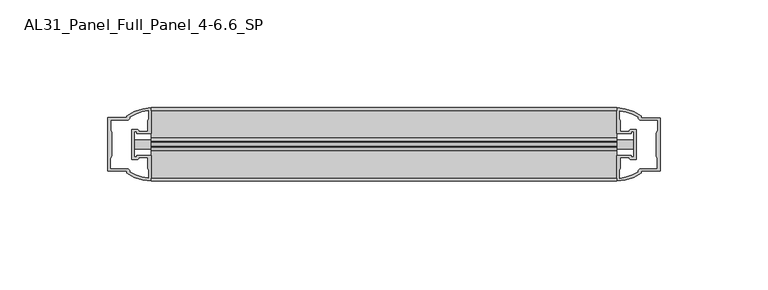
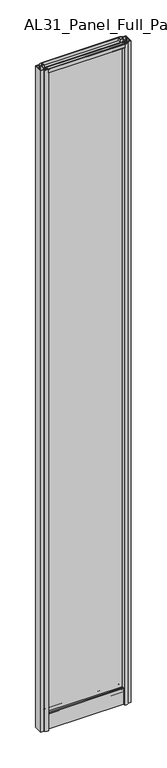
"""IFC4 building model written with IfcOpenShell, lengths in millimetres: plate geometry, AL31_Panel_Full_Panel_4-6.6_SP."""

from ifc_helpers import new_model, si_unit, point, frame, frame_2d, origin, origin_with_axes, place, context, project, spatial, polyline, circle_curve, trimmed, segment, composite_curve, outline, extrude, source, transform, mapped, element, save


def al31_panel_full_panel_4_6_6_sp_8eb02fc8(model_context):
    return source(origin(), model_context, "Body", "SweptSolid", [
        extrude(outline(composite_curve([segment(polyline([(-1.4, 1968.8980762), (-0.85, 1967.9454483)]), True, "CONTINUOUS"), segment(trimmed(circle_curve(frame_2d((0.1, 1966.3)), 1.9), [point((-0.85, 1967.9454483))], [point((1.05, 1967.9454483))], True, "CARTESIAN"), True, "CONTINUOUS"), segment(polyline([(1.05, 1967.9454483), (1.6, 1968.8980762)]), True, "CONTINUOUS"), segment(trimmed(circle_curve(frame_2d((0.1, 1966.3)), 3.0), [point((1.6, 1968.8980762))], [point((2.5718414, 1964.6))], False, "CARTESIAN"), True, "CONTINUOUS"), segment(polyline([(2.5718414, 1964.6), (15.7, 1964.6), (15.7, 1974.0), (17.0, 1974.0), (17.0, 1963.5), (6.7024688, 1963.5), (6.7024688, 1962.7), (6.1968782, 1960.7785039), (6.1968782, 1956.1), (5.0, 1956.1), (5.0, 1961.4339746), (5.5, 1962.3), (5.5, 1963.5), (-5.5, 1963.5), (-5.5, 1962.3), (-5.0, 1961.4339746), (-5.0, 1956.1), (-6.1968782, 1956.1), (-6.1968782, 1960.7785039), (-6.7024688, 1962.7), (-6.7024688, 1963.5), (-17.0, 1963.5), (-17.0, 1974.0), (-15.7, 1974.0), (-15.7, 1964.6), (-2.3718414, 1964.6)]), True, "CONTINUOUS"), segment(trimmed(circle_curve(frame_2d((0.1, 1966.3)), 3.0), [point((-2.3718414, 1964.6))], [point((-1.4, 1968.8980762))], False, "CARTESIAN"), True, "CONTINUOUS")], self_intersect=False)), frame((-107.7815679, 0.0, 0.0), z_axis=(1.0, 0.0, 0.0), x_axis=(0.0, 1.0, 0.0)), (0.0, 0.0, 1.0), 215.5631359),
        extrude(outline(composite_curve([segment(polyline([(-115.6229893, -5.9), (-114.4229893, -5.9), (-114.4229893, -5.0), (-107.7815679, -5.0), (-107.7815679, -17.0001453)]), True, "CONTINUOUS"), segment(trimmed(circle_curve(frame_2d((-107.4169163, 2.9965302)), 20.0), [point((-107.7815679, -17.0001453))], [point((-119.1374032, -13.2093388))], False, "CARTESIAN"), True, "CONTINUOUS"), segment(polyline([(-119.1374032, -13.2093388), (-119.1374032, -12.3279343), (-127.7815679, -12.3279343), (-127.7815679, 12.3720657), (-119.1374032, 12.3720657), (-119.1374032, 13.2095249)]), True, "CONTINUOUS"), segment(trimmed(circle_curve(frame_2d((-107.4169163, -2.9963441)), 20.0), [point((-119.1374032, 13.2095249))], [point((-107.7815679, 17.0003314))], False, "CARTESIAN"), True, "CONTINUOUS"), segment(polyline([(-107.7815679, 17.0003314), (-107.7815679, 5.0), (-114.4229893, 5.0), (-114.4229893, 5.9), (-115.6229893, 5.9), (-115.6229893, -5.9)]), True, "CONTINUOUS")], self_intersect=False), holes=[composite_curve([segment(trimmed(circle_curve(frame_2d((-114.6229893, 5.7)), 1.5), [point((-114.6229893, 7.2))], [point((-113.267735, 6.3428731))], False, "CARTESIAN"), True, "CONTINUOUS"), segment(polyline([(-113.267735, 6.3428731), (-109.5229893, 6.3428731), (-109.5229893, 10.939223), (-109.0836495, 11.9998832), (-109.0836495, 15.6499817)]), True, "CONTINUOUS"), segment(trimmed(circle_curve(frame_2d((-107.4169163, -2.9755921)), 18.7), [point((-109.0836495, 15.6499817))], [point((-117.4236941, 12.8216987))], True, "CARTESIAN"), True, "CONTINUOUS"), segment(trimmed(circle_curve(frame_2d((-119.2229893, 12.8720657)), 1.8), [point((-117.4236941, 12.8216987))], [point((-119.2229893, 11.0720657))], False, "CARTESIAN"), True, "CONTINUOUS"), segment(polyline([(-119.2229893, 11.0720657), (-126.3644106, 11.0720657), (-126.3644106, 6.5019606), (-125.9229893, 5.439223), (-125.9229893, -5.3950916), (-126.4229893, -6.3879987), (-126.4229893, -11.0279343), (-119.2229893, -11.0279343)]), True, "CONTINUOUS"), segment(trimmed(circle_curve(frame_2d((-119.2229893, -12.8279343)), 1.8), [point((-119.2229893, -11.0279343))], [point((-117.4236941, -12.7775673))], False, "CARTESIAN"), True, "CONTINUOUS"), segment(trimmed(circle_curve(frame_2d((-107.4169163, 3.0197235)), 18.7), [point((-117.4236941, -12.7775673))], [point((-109.0836495, -15.6058503))], True, "CARTESIAN"), True, "CONTINUOUS"), segment(polyline([(-109.0836495, -15.6058503), (-109.0836495, -11.9557518), (-109.5229893, -10.8950916), (-109.5229893, -6.2991308), (-113.2478376, -6.2991308)]), True, "CONTINUOUS"), segment(trimmed(circle_curve(frame_2d((-114.6229893, -5.7)), 1.5), [point((-113.2478376, -6.2991308))], [point((-114.6229893, -7.2))], False, "CARTESIAN"), True, "CONTINUOUS"), segment(polyline([(-114.6229893, -7.2), (-116.9229893, -7.2), (-116.9229893, 7.2), (-114.6229893, 7.2)]), True, "CONTINUOUS")], self_intersect=False)]), origin_with_axes(), (0.0, 0.0, 1.0), 1974.0),
        extrude(outline(composite_curve([segment(polyline([(115.6229893, 5.9), (114.4229893, 5.9), (114.4229893, 5.0), (107.7815679, 5.0), (107.7815679, 17.0001453)]), True, "CONTINUOUS"), segment(trimmed(circle_curve(frame_2d((107.4169163, -2.9965302)), 20.0), [point((107.7815679, 17.0001453))], [point((119.1374032, 13.2093388))], False, "CARTESIAN"), True, "CONTINUOUS"), segment(polyline([(119.1374032, 13.2093388), (119.1374032, 12.3279343), (127.7815679, 12.3279343), (127.7815679, -12.3720657), (119.1374032, -12.3720657), (119.1374032, -13.2095249)]), True, "CONTINUOUS"), segment(trimmed(circle_curve(frame_2d((107.4169163, 2.9963441)), 20.0), [point((119.1374032, -13.2095249))], [point((107.7815679, -17.0003314))], False, "CARTESIAN"), True, "CONTINUOUS"), segment(polyline([(107.7815679, -17.0003314), (107.7815679, -5.0), (114.4229893, -5.0), (114.4229893, -5.9), (115.6229893, -5.9), (115.6229893, 5.9)]), True, "CONTINUOUS")], self_intersect=False), holes=[composite_curve([segment(trimmed(circle_curve(frame_2d((114.6229893, -5.7)), 1.5), [point((114.6229893, -7.2))], [point((113.267735, -6.3428731))], False, "CARTESIAN"), True, "CONTINUOUS"), segment(polyline([(113.267735, -6.3428731), (109.5229893, -6.3428731), (109.5229893, -10.939223), (109.0836495, -11.9998832), (109.0836495, -15.6499817)]), True, "CONTINUOUS"), segment(trimmed(circle_curve(frame_2d((107.4169163, 2.9755921)), 18.7), [point((109.0836495, -15.6499817))], [point((117.4236941, -12.8216987))], True, "CARTESIAN"), True, "CONTINUOUS"), segment(trimmed(circle_curve(frame_2d((119.2229893, -12.8720657)), 1.8), [point((117.4236941, -12.8216987))], [point((119.2229893, -11.0720657))], False, "CARTESIAN"), True, "CONTINUOUS"), segment(polyline([(119.2229893, -11.0720657), (126.3644106, -11.0720657), (126.3644106, -6.5019606), (125.9229893, -5.439223), (125.9229893, 5.3950916), (126.4229893, 6.3879987), (126.4229893, 11.0279343), (119.2229893, 11.0279343)]), True, "CONTINUOUS"), segment(trimmed(circle_curve(frame_2d((119.2229893, 12.8279343)), 1.8), [point((119.2229893, 11.0279343))], [point((117.4236941, 12.7775673))], False, "CARTESIAN"), True, "CONTINUOUS"), segment(trimmed(circle_curve(frame_2d((107.4169163, -3.0197235)), 18.7), [point((117.4236941, 12.7775673))], [point((109.0836495, 15.6058503))], True, "CARTESIAN"), True, "CONTINUOUS"), segment(polyline([(109.0836495, 15.6058503), (109.0836495, 11.9557518), (109.5229893, 10.8950916), (109.5229893, 6.2991308), (113.2478376, 6.2991308)]), True, "CONTINUOUS"), segment(trimmed(circle_curve(frame_2d((114.6229893, 5.7)), 1.5), [point((113.2478376, 6.2991308))], [point((114.6229893, 7.2))], False, "CARTESIAN"), True, "CONTINUOUS"), segment(polyline([(114.6229893, 7.2), (116.9229893, 7.2), (116.9229893, -7.2), (114.6229893, -7.2)]), True, "CONTINUOUS")], self_intersect=False)]), origin_with_axes(), (0.0, 0.0, 1.0), 1974.0),
        extrude(outline(composite_curve([segment(trimmed(circle_curve(frame_2d((-8.4, 34.8)), 1.0), [point((-8.4, 35.8))], [point((-9.4, 34.8))], True, "CARTESIAN"), True, "CONTINUOUS"), segment(polyline([(-9.4, 34.8), (-9.4, 33.5), (-5.0000303, 33.5), (-5.0000303, 32.3), (-9.4, 32.3), (-9.4, 0.0), (-10.6, 0.0), (-10.6, 47.3)]), True, "CONTINUOUS"), segment(trimmed(circle_curve(frame_2d((-8.6, 47.3)), 2.0), [point((-10.6, 47.3))], [point((-8.6, 49.3))], False, "CARTESIAN"), True, "CONTINUOUS"), segment(polyline([(-8.6, 49.3), (-5.0, 49.3), (-5.0, 41.9), (5.0, 41.9), (5.0, 49.3), (8.6, 49.3)]), True, "CONTINUOUS"), segment(trimmed(circle_curve(frame_2d((8.6, 47.3)), 2.0), [point((8.6, 49.3))], [point((10.6, 47.3))], False, "CARTESIAN"), True, "CONTINUOUS"), segment(polyline([(10.6, 47.3), (10.6, 0.0), (9.4, 0.0), (9.4, 32.3), (4.9999697, 32.3), (4.9999697, 33.5), (9.4, 33.5), (9.4, 34.8)]), True, "CONTINUOUS"), segment(trimmed(circle_curve(frame_2d((8.4, 34.8)), 1.0), [point((9.4, 34.8))], [point((8.4, 35.8))], True, "CARTESIAN"), True, "CONTINUOUS"), segment(polyline([(8.4, 35.8), (-8.4, 35.8)]), True, "CONTINUOUS")], self_intersect=False), holes=[composite_curve([segment(trimmed(circle_curve(frame_2d((5.5024688, 41.8)), 1.0), [point((6.5024688, 41.8))], [point((5.5024688, 40.8))], False, "CARTESIAN"), True, "CONTINUOUS"), segment(polyline([(5.5024688, 40.8), (2.8008965, 40.8), (2.8008965, 39.7274194), (1.8370508, 39.7274194)]), True, "CONTINUOUS"), segment(trimmed(circle_curve(frame_2d((0.0, 38.7)), 2.1048387), [point((1.8370508, 39.7274194))], [point((-1.8370508, 39.7274194))], True, "CARTESIAN"), True, "CONTINUOUS"), segment(polyline([(-1.8370508, 39.7274194), (-2.8008965, 39.7274194), (-2.8008965, 40.8), (-5.5024688, 40.8)]), True, "CONTINUOUS"), segment(trimmed(circle_curve(frame_2d((-5.5024688, 41.8)), 1.0), [point((-5.5024688, 40.8))], [point((-6.5024688, 41.8))], False, "CARTESIAN"), True, "CONTINUOUS"), segment(polyline([(-6.5024688, 41.8), (-6.5024688, 42.7)]), True, "CONTINUOUS"), segment(trimmed(circle_curve(frame_2d((-5.3024688, 42.7)), 1.2), [point((-6.5024688, 42.7))], [point((-6.1198184, 43.5786009))], False, "CARTESIAN"), True, "CONTINUOUS"), segment(polyline([(-6.1198184, 43.5786009), (-6.1198184, 48.2), (-8.4, 48.2)]), True, "CONTINUOUS"), segment(trimmed(circle_curve(frame_2d((-8.4, 47.2)), 1.0), [point((-8.4, 48.2))], [point((-9.4, 47.2))], True, "CARTESIAN"), True, "CONTINUOUS"), segment(polyline([(-9.4, 47.2), (-9.4, 37.04), (-2.8008965, 37.04), (-2.8008965, 38.0725806), (-1.8370508, 38.0725806)]), True, "CONTINUOUS"), segment(trimmed(circle_curve(frame_2d((0.0, 39.1)), 2.1048387), [point((-1.8370508, 38.0725806))], [point((1.8370508, 38.0725806))], True, "CARTESIAN"), True, "CONTINUOUS"), segment(polyline([(1.8370508, 38.0725806), (2.8008965, 38.0725806), (2.8008965, 37.04), (9.4, 37.04), (9.4, 47.2)]), True, "CONTINUOUS"), segment(trimmed(circle_curve(frame_2d((8.4, 47.2)), 1.0), [point((9.4, 47.2))], [point((8.4, 48.2))], True, "CARTESIAN"), True, "CONTINUOUS"), segment(polyline([(8.4, 48.2), (6.1198184, 48.2), (6.1198184, 43.7786009)]), True, "CONTINUOUS"), segment(trimmed(circle_curve(frame_2d((5.3024688, 42.9)), 1.2), [point((6.1198184, 43.7786009))], [point((6.5024688, 42.9))], False, "CARTESIAN"), True, "CONTINUOUS"), segment(polyline([(6.5024688, 42.9), (6.5024688, 41.8)]), True, "CONTINUOUS")], self_intersect=False)]), frame((-107.7815679, 0.0, 0.0), z_axis=(1.0, 0.0, 0.0), x_axis=(0.0, 1.0, 0.0)), (0.0, 0.0, 1.0), 215.5631359),
        extrude(outline(polyline([(115.6229893, 2.0), (115.6229893, -2.0), (-115.6229893, -2.0), (-115.6229893, 2.0), (115.6229893, 2.0)])), frame((0.0, 0.0, 41.9), z_axis=(0.0, 0.0, 1.0), x_axis=(1.0, 0.0, 0.0)), (0.0, 0.0, 1.0), 1921.6),
    ])


if __name__ == "__main__":
    model = new_model("IFC4")
    model_context = context("Model", 3, world=origin())
    ifc_project = project(units=[si_unit("LENGTHUNIT", "METRE", prefix="MILLI")], contexts=[model_context])
    site = spatial("IfcSite", under=ifc_project)
    building = spatial("IfcBuilding", under=site)
    placement = place(None, origin())
    al31_panel_full_panel_4_6_6_sp_shape = al31_panel_full_panel_4_6_6_sp_8eb02fc8(model_context)
    element("IfcPlate", 1, ObjectType="AL31_Panel_Full_Panel_4-6.6_SP", at=placement, inside=building, context=model_context, shape_type="MappedRepresentation", body=[
        mapped(al31_panel_full_panel_4_6_6_sp_shape, transform((0.0, 0.0, 0.0), x_axis=(1.0, 0.0, 0.0), y_axis=(0.0, 1.0, 0.0), z_axis=(0.0, 0.0, 1.0))),
    ])
    save(model, "model.ifc")
